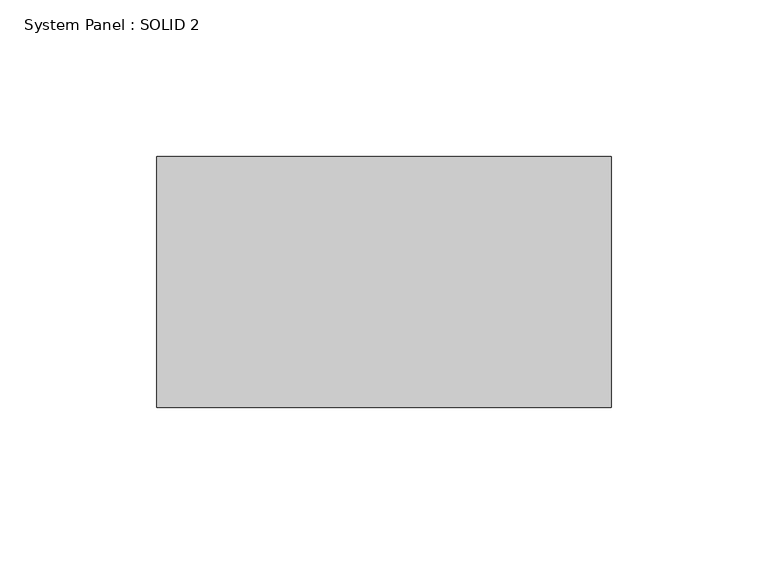
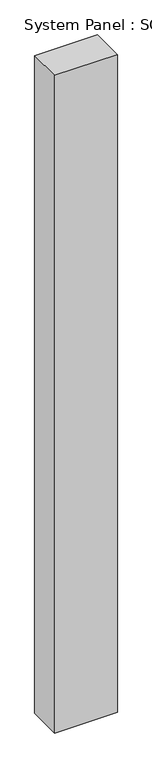
"""IFC4 building model written with IfcOpenShell, lengths in millimetres: plate geometry, System Panel : SOLID 2."""

import ifcopenshell
import ifcopenshell.guid

model = None  # the IFC model being written
_history = None  # IfcOwnerHistory: only IFC2X3 demands one
_inside = {}  # id of a spatial element -> (the spatial element, [elements in it])
_under = {}  # id of a project, library or spatial element -> (it, [spatial elements below it])
_declared = {}  # id of a project -> (the project, [libraries it declares])
_typed = {}  # id of a type object -> (the type object, [elements of that type])
_made_of = {}  # id of a material, layer set ... -> (it, [elements and type objects made of it])


def new_model(schema):
    """Start an empty IFC model of exactly this schema.

    Asked for "IFC4X3", IfcOpenShell would pick the latest addendum, in which some entities
    have other attributes; the version numbers below select the first issue.
    IFC2X3 requires an IfcOwnerHistory on every rooted entity: one is made here for all.
    """
    global model, _history
    if schema == "IFC4X3":
        model = ifcopenshell.file(schema_version=(4, 3, 0, 0))
    else:
        model = ifcopenshell.file(schema=schema)
    _inside.clear()
    _under.clear()
    _declared.clear()
    _typed.clear()
    _made_of.clear()
    _history = None
    if model.schema == "IFC2X3":
        org = make("IfcOrganization", Name="unknown")
        user = make(
            "IfcPersonAndOrganization",
            ThePerson=make("IfcPerson", FamilyName="unknown"),
            TheOrganization=org,
        )
        app = make(
            "IfcApplication",
            ApplicationDeveloper=org,
            Version="unknown",
            ApplicationFullName="unknown",
            ApplicationIdentifier="unknown",
        )
        _history = make(
            "IfcOwnerHistory",
            OwningUser=user,
            OwningApplication=app,
            ChangeAction="ADDED",
            CreationDate=0,
        )
    return model


def make(cls, **values):
    """One entity of the class cls with the attributes given. An attribute that is None is left unset."""
    return model.create_entity(
        cls, **{name: value for name, value in values.items() if value is not None}
    )


def rooted(cls, **values):
    """An entity with a GlobalId (a new one), such as an element, a storey or a relation."""
    return make(cls, GlobalId=ifcopenshell.guid.new(), OwnerHistory=_history, **values)


def si_unit(unit_type, name, prefix=None):
    """IfcSIUnit, for example si_unit("LENGTHUNIT", "METRE", prefix="MILLI")."""
    return make("IfcSIUnit", UnitType=unit_type, Prefix=prefix, Name=name)


def assignment(units):
    """IfcUnitAssignment: the units of a project."""
    return None if units is None else make("IfcUnitAssignment", Units=units)


def point(xyz):
    """IfcCartesianPoint."""
    return None if xyz is None else make("IfcCartesianPoint", Coordinates=xyz)


def direction(xyz):
    """IfcDirection."""
    return None if xyz is None else make("IfcDirection", DirectionRatios=xyz)


def frame(location, z_axis=None, x_axis=None):
    """IfcAxis2Placement3D, a coordinate frame: its origin and axes. An axis left out is left unset."""
    return make(
        "IfcAxis2Placement3D",
        Location=point(location),
        Axis=direction(z_axis),
        RefDirection=direction(x_axis),
    )


def origin():
    """The frame at (0, 0, 0) with its axes left unset."""
    return frame((0.0, 0.0, 0.0))


def origin_with_axes():
    """The frame at (0, 0, 0) with the z axis (0, 0, 1) and the x axis (1, 0, 0) written out."""
    return frame((0.0, 0.0, 0.0), z_axis=(0.0, 0.0, 1.0), x_axis=(1.0, 0.0, 0.0))


def place(relative_to, where):
    """IfcLocalPlacement: puts the frame where relative to a parent placement (None: the world)."""
    return make(
        "IfcLocalPlacement", PlacementRelTo=relative_to, RelativePlacement=where
    )


def context(
    kind, dimensions, precision=None, world=None, true_north=None, identifier=None
):
    """IfcGeometricRepresentationContext, for example the 3D "Model" context."""
    return make(
        "IfcGeometricRepresentationContext",
        ContextIdentifier=identifier,
        ContextType=kind,
        CoordinateSpaceDimension=dimensions,
        Precision=precision,
        WorldCoordinateSystem=world,
        TrueNorth=true_north,
    )


def project(units=None, contexts=None):
    """IfcProject with its units and contexts."""
    return rooted(
        "IfcProject",
        Name="project",
        RepresentationContexts=contexts,
        UnitsInContext=assignment(units),
    )


def spatial(cls, under=None, at=None, **own):
    """A site, building, storey or space (cls), placed at a placement, below another one or the project."""
    s = rooted(cls, ObjectPlacement=at, **own)
    if under is not None:
        _under.setdefault(under.id(), (under, []))[1].append(s)
    return s


def polyline(points):
    """IfcPolyline through the points."""
    return make("IfcPolyline", Points=[point(p) for p in points])


def outline(outer, holes=None, kind="AREA"):
    """IfcArbitraryClosedProfileDef: a profile drawn as a closed curve; with holes, ...WithVoids."""
    if holes is None:
        return make("IfcArbitraryClosedProfileDef", ProfileType=kind, OuterCurve=outer)
    return make(
        "IfcArbitraryProfileDefWithVoids",
        ProfileType=kind,
        OuterCurve=outer,
        InnerCurves=holes,
    )


def extrude(swept, where, along, depth):
    """IfcExtrudedAreaSolid: the profile swept, set in the frame where, extruded along a direction by depth."""
    return make(
        "IfcExtrudedAreaSolid",
        SweptArea=swept,
        Position=where,
        ExtrudedDirection=direction(along),
        Depth=depth,
    )


def shape(context_of_items, identifier, shape_type, items):
    """IfcShapeRepresentation: the items that make up one representation, for example the "Body"."""
    return make(
        "IfcShapeRepresentation",
        ContextOfItems=context_of_items,
        RepresentationIdentifier=identifier,
        RepresentationType=shape_type,
        Items=items,
    )


def source(mapping_origin, context_of_items, identifier, shape_type, items):
    """IfcRepresentationMap: a shape defined once, which mapped items show again and again."""
    return make(
        "IfcRepresentationMap",
        MappingOrigin=mapping_origin,
        MappedRepresentation=shape(context_of_items, identifier, shape_type, items),
    )


def transform(
    local_origin,
    x_axis=None,
    y_axis=None,
    z_axis=None,
    scale=None,
    scale2=None,
    scale3=None,
    uniform=True,
):
    """IfcCartesianTransformationOperator3D, or its non-uniform kind. x_axis, y_axis, z_axis: its Axis1, 2, 3."""
    if uniform:
        return make(
            "IfcCartesianTransformationOperator3D",
            Axis1=direction(x_axis),
            Axis2=direction(y_axis),
            LocalOrigin=point(local_origin),
            Scale=scale,
            Axis3=direction(z_axis),
        )
    return make(
        "IfcCartesianTransformationOperator3DnonUniform",
        Axis1=direction(x_axis),
        Axis2=direction(y_axis),
        LocalOrigin=point(local_origin),
        Scale=scale,
        Axis3=direction(z_axis),
        Scale2=scale2,
        Scale3=scale3,
    )


def mapped(mapping_source, mapping_target):
    """IfcMappedItem: shows the shape of a source again, moved by a transform."""
    return make(
        "IfcMappedItem", MappingSource=mapping_source, MappingTarget=mapping_target
    )


def made_of(thing, what):
    """Note that an element or type object is made of a material, layer set ...; save() writes the relation."""
    if what is not None:
        _made_of.setdefault(what.id(), (what, []))[1].append(thing)
    return thing


def element(
    cls,
    number,
    at=None,
    inside=None,
    cuts=None,
    type_object=None,
    material=None,
    context=None,
    identifier="Body",
    shape_type=None,
    held_by="IfcProductDefinitionShape",
    body=None,
    shapes=None,
    **own,
):
    """One element of the class cls, such as IfcWall. Its Tag is "e" and its number.

    at: its placement. inside: the storey or other place that contains it. cuts: it is an
    opening in that element (IfcRelVoidsElement). A single representation is given by context,
    identifier, shape_type and body (its items); several are given by shapes. held_by: the class
    of the entity that holds the representations. save() writes the other relations.
    """
    e = rooted(cls, Tag="e%d" % number, ObjectPlacement=at, **own)
    if body is not None:
        shapes = [shape(context, identifier, shape_type, body)]
    if shapes is not None:
        e.Representation = make(held_by, Representations=shapes)
    if inside is not None:
        _inside.setdefault(inside.id(), (inside, []))[1].append(e)
    if cuts is not None:
        rooted(
            "IfcRelVoidsElement", RelatingBuildingElement=cuts, RelatedOpeningElement=e
        )
    if type_object is not None:
        _typed.setdefault(type_object.id(), (type_object, []))[1].append(e)
    return made_of(e, material)


def aggregate(whole, parts):
    """IfcRelAggregates: a whole, such as a stair, and the parts it consists of."""
    return rooted("IfcRelAggregates", RelatingObject=whole, RelatedObjects=parts)


def save(model, path):
    """Write the relations noted so far, then the file.

    IfcRelAggregates (storeys below a building ...), IfcRelContainedInSpatialStructure (elements
    in a storey), IfcRelDefinesByType, IfcRelAssociatesMaterial and IfcRelDeclares: one each for
    every whole, place, type object, material and project.
    """
    for whole, parts in _under.values():
        aggregate(whole, parts)
    for where, things in _inside.values():
        rooted(
            "IfcRelContainedInSpatialStructure",
            RelatedElements=things,
            RelatingStructure=where,
        )
    for kind, things in _typed.values():
        rooted("IfcRelDefinesByType", RelatedObjects=things, RelatingType=kind)
    for what, things in _made_of.values():
        rooted("IfcRelAssociatesMaterial", RelatedObjects=things, RelatingMaterial=what)
    for by, libraries in _declared.values():
        rooted("IfcRelDeclares", RelatingContext=by, RelatedDefinitions=libraries)
    model.write(path)


def system_panel_solid_2_9b4e9eaa(model_context):
    return source(origin(), model_context, "Body", "SweptSolid", [
        extrude(outline(polyline([(72.5, 80.0), (-72.5, 80.0), (-72.5, 160.0), (72.5, 160.0), (72.5, 80.0)])), origin_with_axes(), (0.0, 0.0, 1.0), 1609.0),
    ])


if __name__ == "__main__":
    model = new_model("IFC4")
    model_context = context("Model", 3, world=origin())
    ifc_project = project(units=[si_unit("LENGTHUNIT", "METRE", prefix="MILLI")], contexts=[model_context])
    site = spatial("IfcSite", under=ifc_project)
    building = spatial("IfcBuilding", under=site)
    placement = place(None, origin())
    system_panel_solid_2_shape = system_panel_solid_2_9b4e9eaa(model_context)
    element("IfcPlate", 1, ObjectType="System Panel : SOLID 2", at=placement, inside=building, context=model_context, shape_type="MappedRepresentation", body=[
        mapped(system_panel_solid_2_shape, transform((0.0, 0.0, 0.0), x_axis=(1.0, 0.0, 0.0), y_axis=(0.0, 1.0, 0.0), z_axis=(0.0, 0.0, 1.0))),
    ])
    save(model, "model.ifc")
